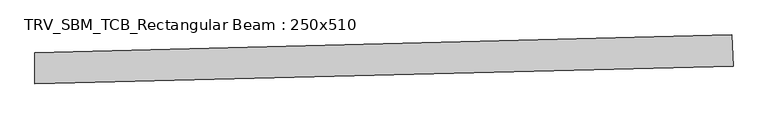
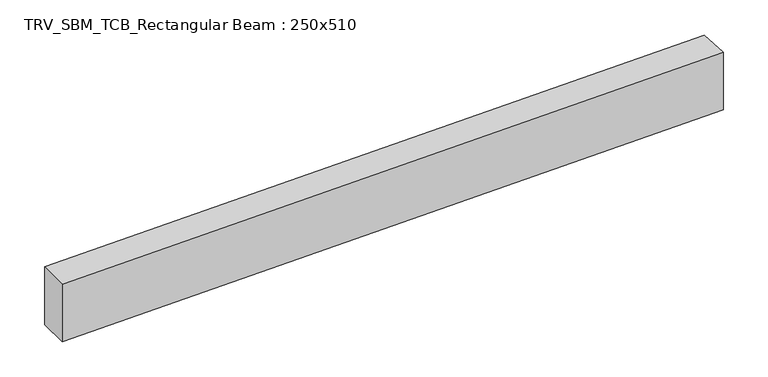
"""IFC4 building model written with IfcOpenShell, lengths in millimetres: beam geometry, TRV_SBM_TCB_Rectangular Beam : 250x510."""

from ifc_helpers import new_model, si_unit, point, frame, frame_2d, origin, place, context, project, spatial, polyline, circle_curve, trimmed, segment, composite_curve, outline, extrude, source, transform, mapped, element, save


def trv_sbm_tcb_rectangular_beam_250x510_bab65ad0(model_context):
    return source(origin(), model_context, "Body", "SweptSolid", [
        extrude(outline(composite_curve([segment(polyline([(5565.2247963, 266.6508616), (5577.9429845, 16.9745758)]), True, "CONTINUOUS"), segment(trimmed(circle_curve(frame_2d((0.0, 109520.0)), 109645.0), [point((5577.9429845, 16.9745758))], [point((-12.7151564, -124.9992627))], False, "CARTESIAN"), True, "CONTINUOUS"), segment(polyline([(-12.7151564, -124.9992627), (-12.6861648, 125.0007356)]), True, "CONTINUOUS"), segment(trimmed(circle_curve(frame_2d((0.0, 109520.0)), 109395.0), [point((-12.6861648, 125.0007356))], [point((5565.2247963, 266.6508616))], True, "CARTESIAN"), True, "CONTINUOUS")], self_intersect=False)), frame((0.0, 0.0, -255.0), z_axis=(0.0, 0.0, 1.0), x_axis=(1.0, 0.0, 0.0)), (0.0, 0.0, 1.0), 510.0),
    ])


if __name__ == "__main__":
    model = new_model("IFC4")
    model_context = context("Model", 3, world=origin())
    ifc_project = project(units=[si_unit("LENGTHUNIT", "METRE", prefix="MILLI")], contexts=[model_context])
    site = spatial("IfcSite", under=ifc_project)
    building = spatial("IfcBuilding", under=site)
    placement = place(None, origin())
    trv_sbm_tcb_rectangular_beam_250x510_shape = trv_sbm_tcb_rectangular_beam_250x510_bab65ad0(model_context)
    element("IfcBeam", 1, ObjectType="TRV_SBM_TCB_Rectangular Beam : 250x510", at=placement, inside=building, context=model_context, shape_type="MappedRepresentation", body=[
        mapped(trv_sbm_tcb_rectangular_beam_250x510_shape, transform((0.0, 0.0, 0.0), x_axis=(1.0, 0.0, 0.0), y_axis=(0.0, 1.0, 0.0), z_axis=(0.0, 0.0, 1.0))),
    ])
    save(model, "model.ifc")
